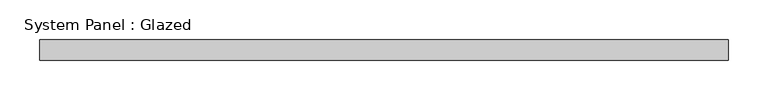
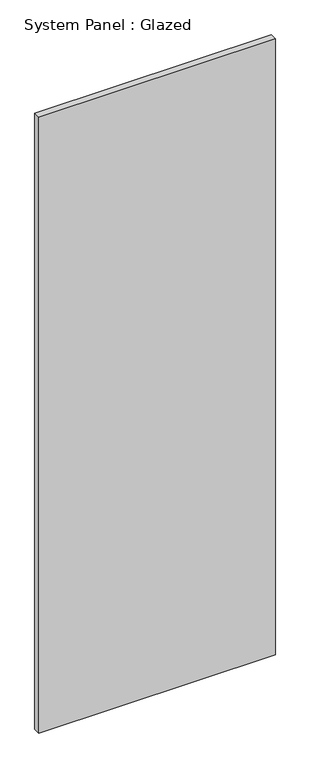
"""IFC4 building model written with IfcOpenShell, lengths in millimetres: plate geometry, System Panel : Glazed."""

import ifcopenshell
import ifcopenshell.guid

model = None  # the IFC model being written
_history = None  # IfcOwnerHistory: only IFC2X3 demands one
_inside = {}  # id of a spatial element -> (the spatial element, [elements in it])
_under = {}  # id of a project, library or spatial element -> (it, [spatial elements below it])
_declared = {}  # id of a project -> (the project, [libraries it declares])
_typed = {}  # id of a type object -> (the type object, [elements of that type])
_made_of = {}  # id of a material, layer set ... -> (it, [elements and type objects made of it])


def new_model(schema):
    """Start an empty IFC model of exactly this schema.

    Asked for "IFC4X3", IfcOpenShell would pick the latest addendum, in which some entities
    have other attributes; the version numbers below select the first issue.
    IFC2X3 requires an IfcOwnerHistory on every rooted entity: one is made here for all.
    """
    global model, _history
    if schema == "IFC4X3":
        model = ifcopenshell.file(schema_version=(4, 3, 0, 0))
    else:
        model = ifcopenshell.file(schema=schema)
    _inside.clear()
    _under.clear()
    _declared.clear()
    _typed.clear()
    _made_of.clear()
    _history = None
    if model.schema == "IFC2X3":
        org = make("IfcOrganization", Name="unknown")
        user = make(
            "IfcPersonAndOrganization",
            ThePerson=make("IfcPerson", FamilyName="unknown"),
            TheOrganization=org,
        )
        app = make(
            "IfcApplication",
            ApplicationDeveloper=org,
            Version="unknown",
            ApplicationFullName="unknown",
            ApplicationIdentifier="unknown",
        )
        _history = make(
            "IfcOwnerHistory",
            OwningUser=user,
            OwningApplication=app,
            ChangeAction="ADDED",
            CreationDate=0,
        )
    return model


def make(cls, **values):
    """One entity of the class cls with the attributes given. An attribute that is None is left unset."""
    return model.create_entity(
        cls, **{name: value for name, value in values.items() if value is not None}
    )


def rooted(cls, **values):
    """An entity with a GlobalId (a new one), such as an element, a storey or a relation."""
    return make(cls, GlobalId=ifcopenshell.guid.new(), OwnerHistory=_history, **values)


def si_unit(unit_type, name, prefix=None):
    """IfcSIUnit, for example si_unit("LENGTHUNIT", "METRE", prefix="MILLI")."""
    return make("IfcSIUnit", UnitType=unit_type, Prefix=prefix, Name=name)


def assignment(units):
    """IfcUnitAssignment: the units of a project."""
    return None if units is None else make("IfcUnitAssignment", Units=units)


def point(xyz):
    """IfcCartesianPoint."""
    return None if xyz is None else make("IfcCartesianPoint", Coordinates=xyz)


def direction(xyz):
    """IfcDirection."""
    return None if xyz is None else make("IfcDirection", DirectionRatios=xyz)


def frame(location, z_axis=None, x_axis=None):
    """IfcAxis2Placement3D, a coordinate frame: its origin and axes. An axis left out is left unset."""
    return make(
        "IfcAxis2Placement3D",
        Location=point(location),
        Axis=direction(z_axis),
        RefDirection=direction(x_axis),
    )


def origin():
    """The frame at (0, 0, 0) with its axes left unset."""
    return frame((0.0, 0.0, 0.0))


def origin_with_axes():
    """The frame at (0, 0, 0) with the z axis (0, 0, 1) and the x axis (1, 0, 0) written out."""
    return frame((0.0, 0.0, 0.0), z_axis=(0.0, 0.0, 1.0), x_axis=(1.0, 0.0, 0.0))


def place(relative_to, where):
    """IfcLocalPlacement: puts the frame where relative to a parent placement (None: the world)."""
    return make(
        "IfcLocalPlacement", PlacementRelTo=relative_to, RelativePlacement=where
    )


def context(
    kind, dimensions, precision=None, world=None, true_north=None, identifier=None
):
    """IfcGeometricRepresentationContext, for example the 3D "Model" context."""
    return make(
        "IfcGeometricRepresentationContext",
        ContextIdentifier=identifier,
        ContextType=kind,
        CoordinateSpaceDimension=dimensions,
        Precision=precision,
        WorldCoordinateSystem=world,
        TrueNorth=true_north,
    )


def project(units=None, contexts=None):
    """IfcProject with its units and contexts."""
    return rooted(
        "IfcProject",
        Name="project",
        RepresentationContexts=contexts,
        UnitsInContext=assignment(units),
    )


def spatial(cls, under=None, at=None, **own):
    """A site, building, storey or space (cls), placed at a placement, below another one or the project."""
    s = rooted(cls, ObjectPlacement=at, **own)
    if under is not None:
        _under.setdefault(under.id(), (under, []))[1].append(s)
    return s


def polyline(points):
    """IfcPolyline through the points."""
    return make("IfcPolyline", Points=[point(p) for p in points])


def outline(outer, holes=None, kind="AREA"):
    """IfcArbitraryClosedProfileDef: a profile drawn as a closed curve; with holes, ...WithVoids."""
    if holes is None:
        return make("IfcArbitraryClosedProfileDef", ProfileType=kind, OuterCurve=outer)
    return make(
        "IfcArbitraryProfileDefWithVoids",
        ProfileType=kind,
        OuterCurve=outer,
        InnerCurves=holes,
    )


def extrude(swept, where, along, depth):
    """IfcExtrudedAreaSolid: the profile swept, set in the frame where, extruded along a direction by depth."""
    return make(
        "IfcExtrudedAreaSolid",
        SweptArea=swept,
        Position=where,
        ExtrudedDirection=direction(along),
        Depth=depth,
    )


def shape(context_of_items, identifier, shape_type, items):
    """IfcShapeRepresentation: the items that make up one representation, for example the "Body"."""
    return make(
        "IfcShapeRepresentation",
        ContextOfItems=context_of_items,
        RepresentationIdentifier=identifier,
        RepresentationType=shape_type,
        Items=items,
    )


def source(mapping_origin, context_of_items, identifier, shape_type, items):
    """IfcRepresentationMap: a shape defined once, which mapped items show again and again."""
    return make(
        "IfcRepresentationMap",
        MappingOrigin=mapping_origin,
        MappedRepresentation=shape(context_of_items, identifier, shape_type, items),
    )


def transform(
    local_origin,
    x_axis=None,
    y_axis=None,
    z_axis=None,
    scale=None,
    scale2=None,
    scale3=None,
    uniform=True,
):
    """IfcCartesianTransformationOperator3D, or its non-uniform kind. x_axis, y_axis, z_axis: its Axis1, 2, 3."""
    if uniform:
        return make(
            "IfcCartesianTransformationOperator3D",
            Axis1=direction(x_axis),
            Axis2=direction(y_axis),
            LocalOrigin=point(local_origin),
            Scale=scale,
            Axis3=direction(z_axis),
        )
    return make(
        "IfcCartesianTransformationOperator3DnonUniform",
        Axis1=direction(x_axis),
        Axis2=direction(y_axis),
        LocalOrigin=point(local_origin),
        Scale=scale,
        Axis3=direction(z_axis),
        Scale2=scale2,
        Scale3=scale3,
    )


def mapped(mapping_source, mapping_target):
    """IfcMappedItem: shows the shape of a source again, moved by a transform."""
    return make(
        "IfcMappedItem", MappingSource=mapping_source, MappingTarget=mapping_target
    )


def made_of(thing, what):
    """Note that an element or type object is made of a material, layer set ...; save() writes the relation."""
    if what is not None:
        _made_of.setdefault(what.id(), (what, []))[1].append(thing)
    return thing


def element(
    cls,
    number,
    at=None,
    inside=None,
    cuts=None,
    type_object=None,
    material=None,
    context=None,
    identifier="Body",
    shape_type=None,
    held_by="IfcProductDefinitionShape",
    body=None,
    shapes=None,
    **own,
):
    """One element of the class cls, such as IfcWall. Its Tag is "e" and its number.

    at: its placement. inside: the storey or other place that contains it. cuts: it is an
    opening in that element (IfcRelVoidsElement). A single representation is given by context,
    identifier, shape_type and body (its items); several are given by shapes. held_by: the class
    of the entity that holds the representations. save() writes the other relations.
    """
    e = rooted(cls, Tag="e%d" % number, ObjectPlacement=at, **own)
    if body is not None:
        shapes = [shape(context, identifier, shape_type, body)]
    if shapes is not None:
        e.Representation = make(held_by, Representations=shapes)
    if inside is not None:
        _inside.setdefault(inside.id(), (inside, []))[1].append(e)
    if cuts is not None:
        rooted(
            "IfcRelVoidsElement", RelatingBuildingElement=cuts, RelatedOpeningElement=e
        )
    if type_object is not None:
        _typed.setdefault(type_object.id(), (type_object, []))[1].append(e)
    return made_of(e, material)


def aggregate(whole, parts):
    """IfcRelAggregates: a whole, such as a stair, and the parts it consists of."""
    return rooted("IfcRelAggregates", RelatingObject=whole, RelatedObjects=parts)


def save(model, path):
    """Write the relations noted so far, then the file.

    IfcRelAggregates (storeys below a building ...), IfcRelContainedInSpatialStructure (elements
    in a storey), IfcRelDefinesByType, IfcRelAssociatesMaterial and IfcRelDeclares: one each for
    every whole, place, type object, material and project.
    """
    for whole, parts in _under.values():
        aggregate(whole, parts)
    for where, things in _inside.values():
        rooted(
            "IfcRelContainedInSpatialStructure",
            RelatedElements=things,
            RelatingStructure=where,
        )
    for kind, things in _typed.values():
        rooted("IfcRelDefinesByType", RelatedObjects=things, RelatingType=kind)
    for what, things in _made_of.values():
        rooted("IfcRelAssociatesMaterial", RelatedObjects=things, RelatingMaterial=what)
    for by, libraries in _declared.values():
        rooted("IfcRelDeclares", RelatingContext=by, RelatedDefinitions=libraries)
    model.write(path)


def system_panel_glazed_56faf95f(model_context):
    return source(origin(), model_context, "Body", "SweptSolid", [
        extrude(outline(polyline([(430.2232701, -12.7), (-430.2232701, -12.7), (-430.2232701, 12.7), (430.2232701, 12.7), (430.2232701, -12.7)])), origin_with_axes(), (0.0, 0.0, 1.0), 2367.7626),
    ])


if __name__ == "__main__":
    model = new_model("IFC4")
    model_context = context("Model", 3, world=origin())
    ifc_project = project(units=[si_unit("LENGTHUNIT", "METRE", prefix="MILLI")], contexts=[model_context])
    site = spatial("IfcSite", under=ifc_project)
    building = spatial("IfcBuilding", under=site)
    placement = place(None, origin())
    system_panel_glazed_shape = system_panel_glazed_56faf95f(model_context)
    element("IfcPlate", 1, ObjectType="System Panel : Glazed", at=placement, inside=building, context=model_context, shape_type="MappedRepresentation", body=[
        mapped(system_panel_glazed_shape, transform((0.0, 0.0, 0.0), x_axis=(1.0, 0.0, 0.0), y_axis=(0.0, 1.0, 0.0), z_axis=(0.0, 0.0, 1.0))),
    ])
    save(model, "model.ifc")
